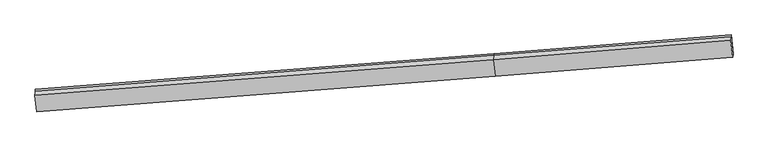
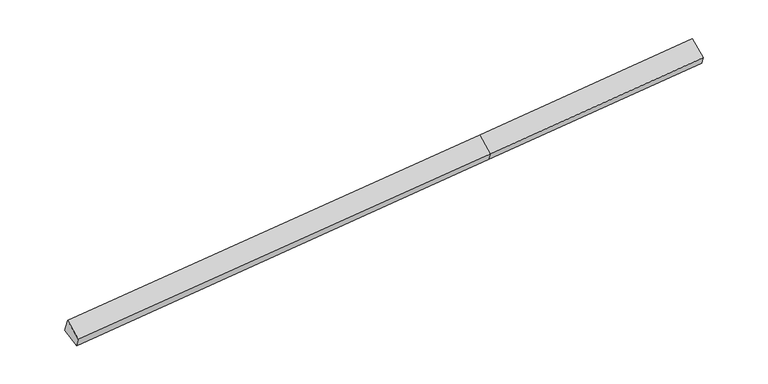
"""IFC4 building model written with IfcOpenShell, lengths in millimetres: proxy geometry."""

from ifc_helpers import new_model, si_unit, frame, origin, place, context, project, spatial, source, transform, mapped, element, save
from ifc_brep_helpers import plane_surface, spline_surface, advanced_brep


def generic_models_a40f6162(model_context):
    return source(origin(), model_context, "Body", "AdvancedBrep", [
        advanced_brep(
        [(-13657.5009062, -2423.5732846, 1062.2503871), (-13663.2859226, -2489.5041031, 1246.103732), (2578.9345201, -1230.3113895, 2219.674449), (2584.7217862, -1164.3549314, 2035.7496063), (-13590.9194192, -3079.5511485, 817.8304176), (2651.3032732, -1820.3327953, 1791.3296368), (-13600.2181629, -3219.5061094, 1158.3032241), (2644.0170687, -1967.533996, 2107.7702167), (-13672.3413066, -2632.9504557, 1587.130066), (2571.893925, -1380.9783424, 2536.5970587), (11056.3688739, -1285.1717063, 2595.910559), (11065.2597599, -1169.9868928, 2295.0186543), (10998.0499366, -501.0482031, 2532.7889568), (10991.9688648, -570.3531135, 2726.0512259), (10984.2457302, -698.6160527, 3024.7374009)],
        [
            (0, 1),
            (1, 2),
            (2, 3),
            (3, 0),
            (4, 0),
            (0, 5),
            (5, 4),
            (6, 4),
            (5, 7),
            (7, 6),
            (8, 6),
            (7, 9),
            (9, 8),
            (1, 8),
            (9, 2),
            (10, 11),
            (11, 12),
            (12, 13),
            (13, 14),
            (14, 10),
            (3, 5),
            (5, 11),
            (10, 7),
            (3, 12),
            (2, 13),
            (9, 14),
        ],
        [
            plane_surface(frame((-13660.3934144, -2456.5386939, 1154.1770595), z_axis=(-0.0927239468438088, 0.9381732400776422, 0.33351647827944814), x_axis=(-0.029605543118867077, -0.33740918708225887, 0.9408924233349562))),
            plane_surface(frame((-13624.2101627, -2751.5622165, 940.0404023), z_axis=(0.028826449337283115, 0.3515770288970668, -0.9357150359861257), x_axis=(-0.09468443879934269, 0.9328553433718634, 0.347585623108633))),
            spline_surface(1, 1, [[(-13600.2181629, -3219.5061094, 1158.3032241), (2644.0170687, -1967.533996, 2107.7702167)], [(-13590.9194192, -3079.5511485, 817.8304176), (2651.3032732, -1820.3327953, 1791.3296368)]], [2, 2], [2, 2], [0.0, 1.0], [0.0, 1.0]),
            plane_surface(frame((-13636.2797347, -2926.2282825, 1372.716645), z_axis=(-0.001681392843488387, -0.5903209439600204, 0.807166870009081), x_axis=(0.09877642525344915, -0.8033187085798799, -0.5873008345470863))),
            spline_surface(1, 1, [[(-13663.2859226, -2489.5041031, 1246.103732), (2578.9345201, -1230.3113895, 2219.674449)], [(-13672.3413066, -2632.9504557, 1587.130066), (2571.893925, -1380.9783424, 2536.5970587)]], [2, 2], [2, 2], [0.0, 1.0], [0.0, 1.0]),
            plane_surface(frame((11019.1786331, -845.0351937, 2634.9013594), z_axis=(0.9951084092579803, 0.0788063827398067, 0.059571871411926464), x_axis=(0.027585050591014744, 0.35737483657312735, -0.9335535823766206))),
            plane_surface(frame((-13636.8531435, -2769.0170203, 1174.3235654), z_axis=(-0.9951084092579802, -0.07880638273980439, -0.05957187141193208), x_axis=(0.029605543118873215, 0.3374091870822582, -0.9408924233349562))),
            plane_surface(frame((-13657.5009062, -2423.5732846, 1062.2503871), z_axis=(0.028826449337283094, 0.3515770288970675, -0.9357150359861254), x_axis=(-0.09468443879934342, 0.9328553433718629, 0.3475856231086336))),
            spline_surface(1, 1, [[(2644.0170687, -1967.533996, 2107.7702167), (11056.3688739, -1285.1717063, 2595.910559)], [(2651.3032732, -1820.3327953, 1791.3296368), (11065.2597599, -1169.9868928, 2295.0186543)]], [2, 2], [2, 2], [0.0, 1.0], [0.0, 1.0]),
            spline_surface(1, 1, [[(2651.3032732, -1820.3327953, 1791.3296368), (11065.2597599, -1169.9868928, 2295.0186543)], [(2584.7217862, -1164.3549314, 2035.7496063), (10998.0499366, -501.0482031, 2532.7889568)]], [2, 2], [2, 2], [0.0, 1.0], [0.0, 1.0]),
            plane_surface(frame((2581.8281531, -1197.3331604, 2127.7120277), z_axis=(-0.0936598697077385, 0.9381000648293752, 0.33346078805978313), x_axis=(-0.029605543118863025, -0.3374091870822582, 0.9408924233349565))),
            spline_surface(1, 1, [[(2578.9345201, -1230.3113895, 2219.674449), (10991.9688648, -570.3531135, 2726.0512259)], [(2571.893925, -1380.9783424, 2536.5970587), (10984.2457302, -698.6160527, 3024.7374009)]], [2, 2], [2, 2], [0.0, 1.0], [0.0, 1.0]),
            plane_surface(frame((2607.9554968, -1674.2561692, 2322.1836377), z_axis=(0.001019586769295637, -0.59010504507183, 0.8073258302715165), x_axis=(0.09877642525344989, -0.8033187085798796, -0.5873008345470863))),
        ],
        [
            (0, [[1, 2, 3, 4]]),
            (1, [[5, 6, 7]]),
            (2, [[8, -7, 9, 10]]),
            (3, [[11, -10, 12, 13]]),
            (4, [[14, -13, 15, -2]]),
            (5, [[16, 17, 18, 19, 20]]),
            (6, [[-1, -5, -8, -11, -14]]),
            (7, [[21, -6, -4]]),
            (8, [[-9, 22, -16, 23]]),
            (9, [[-21, 24, -17, -22]]),
            (10, [[-3, 25, -18, -24]]),
            (11, [[-15, 26, -19, -25]]),
            (12, [[-12, -23, -20, -26]]),
        ],
    ),
    ])


if __name__ == "__main__":
    model = new_model("IFC4")
    model_context = context("Model", 3, world=origin())
    ifc_project = project(units=[si_unit("LENGTHUNIT", "METRE", prefix="MILLI")], contexts=[model_context])
    site = spatial("IfcSite", under=ifc_project)
    building = spatial("IfcBuilding", under=site)
    placement = place(None, origin())
    generic_models_shape = generic_models_a40f6162(model_context)
    element("IfcBuildingElementProxy", 1, Name="Generic Models", at=placement, inside=building, context=model_context, shape_type="MappedRepresentation", body=[
        mapped(generic_models_shape, transform((0.0, 0.0, 0.0), x_axis=(1.0, 0.0, 0.0), y_axis=(0.0, 1.0, 0.0), z_axis=(0.0, 0.0, 1.0))),
    ])
    save(model, "model.ifc")
